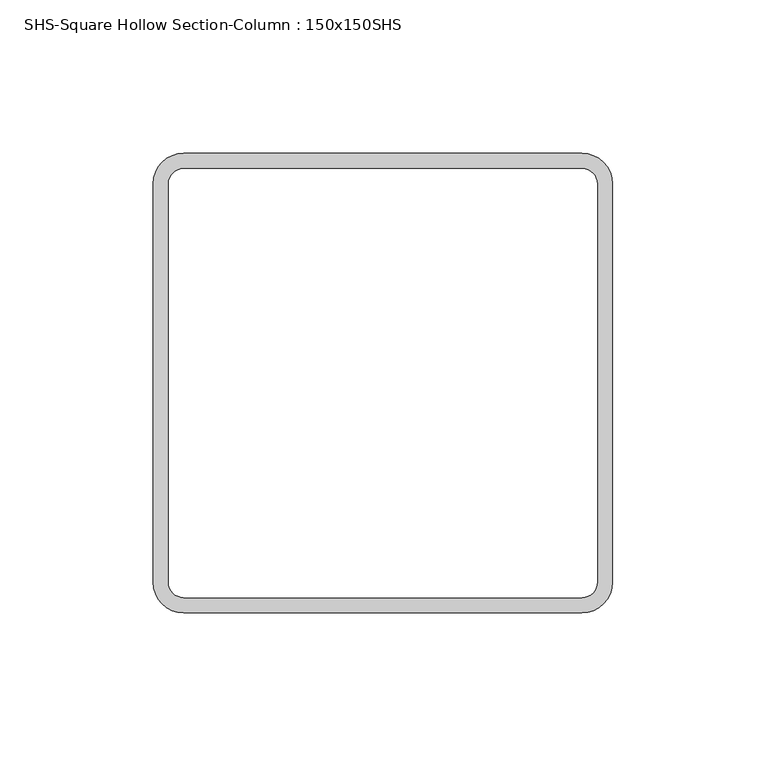
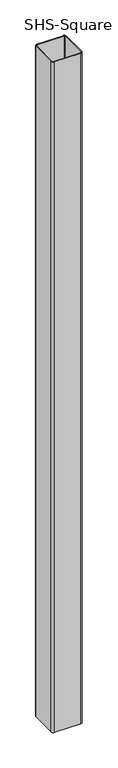
"""IFC4 building model written with IfcOpenShell, lengths in millimetres: column geometry, SHS-Square Hollow Section-Column : 150x150SHS."""

import ifcopenshell
import ifcopenshell.guid

model = None  # the IFC model being written
_history = None  # IfcOwnerHistory: only IFC2X3 demands one
_inside = {}  # id of a spatial element -> (the spatial element, [elements in it])
_under = {}  # id of a project, library or spatial element -> (it, [spatial elements below it])
_declared = {}  # id of a project -> (the project, [libraries it declares])
_typed = {}  # id of a type object -> (the type object, [elements of that type])
_made_of = {}  # id of a material, layer set ... -> (it, [elements and type objects made of it])


def new_model(schema):
    """Start an empty IFC model of exactly this schema.

    Asked for "IFC4X3", IfcOpenShell would pick the latest addendum, in which some entities
    have other attributes; the version numbers below select the first issue.
    IFC2X3 requires an IfcOwnerHistory on every rooted entity: one is made here for all.
    """
    global model, _history
    if schema == "IFC4X3":
        model = ifcopenshell.file(schema_version=(4, 3, 0, 0))
    else:
        model = ifcopenshell.file(schema=schema)
    _inside.clear()
    _under.clear()
    _declared.clear()
    _typed.clear()
    _made_of.clear()
    _history = None
    if model.schema == "IFC2X3":
        org = make("IfcOrganization", Name="unknown")
        user = make(
            "IfcPersonAndOrganization",
            ThePerson=make("IfcPerson", FamilyName="unknown"),
            TheOrganization=org,
        )
        app = make(
            "IfcApplication",
            ApplicationDeveloper=org,
            Version="unknown",
            ApplicationFullName="unknown",
            ApplicationIdentifier="unknown",
        )
        _history = make(
            "IfcOwnerHistory",
            OwningUser=user,
            OwningApplication=app,
            ChangeAction="ADDED",
            CreationDate=0,
        )
    return model


def make(cls, **values):
    """One entity of the class cls with the attributes given. An attribute that is None is left unset."""
    return model.create_entity(
        cls, **{name: value for name, value in values.items() if value is not None}
    )


def rooted(cls, **values):
    """An entity with a GlobalId (a new one), such as an element, a storey or a relation."""
    return make(cls, GlobalId=ifcopenshell.guid.new(), OwnerHistory=_history, **values)


def si_unit(unit_type, name, prefix=None):
    """IfcSIUnit, for example si_unit("LENGTHUNIT", "METRE", prefix="MILLI")."""
    return make("IfcSIUnit", UnitType=unit_type, Prefix=prefix, Name=name)


def assignment(units):
    """IfcUnitAssignment: the units of a project."""
    return None if units is None else make("IfcUnitAssignment", Units=units)


def point(xyz):
    """IfcCartesianPoint."""
    return None if xyz is None else make("IfcCartesianPoint", Coordinates=xyz)


def direction(xyz):
    """IfcDirection."""
    return None if xyz is None else make("IfcDirection", DirectionRatios=xyz)


def frame(location, z_axis=None, x_axis=None):
    """IfcAxis2Placement3D, a coordinate frame: its origin and axes. An axis left out is left unset."""
    return make(
        "IfcAxis2Placement3D",
        Location=point(location),
        Axis=direction(z_axis),
        RefDirection=direction(x_axis),
    )


def frame_2d(location, x_axis=None):
    """IfcAxis2Placement2D, a coordinate frame in the plane: its origin and x axis."""
    return make(
        "IfcAxis2Placement2D", Location=point(location), RefDirection=direction(x_axis)
    )


def origin():
    """The frame at (0, 0, 0) with its axes left unset."""
    return frame((0.0, 0.0, 0.0))


def place(relative_to, where):
    """IfcLocalPlacement: puts the frame where relative to a parent placement (None: the world)."""
    return make(
        "IfcLocalPlacement", PlacementRelTo=relative_to, RelativePlacement=where
    )


def context(
    kind, dimensions, precision=None, world=None, true_north=None, identifier=None
):
    """IfcGeometricRepresentationContext, for example the 3D "Model" context."""
    return make(
        "IfcGeometricRepresentationContext",
        ContextIdentifier=identifier,
        ContextType=kind,
        CoordinateSpaceDimension=dimensions,
        Precision=precision,
        WorldCoordinateSystem=world,
        TrueNorth=true_north,
    )


def project(units=None, contexts=None):
    """IfcProject with its units and contexts."""
    return rooted(
        "IfcProject",
        Name="project",
        RepresentationContexts=contexts,
        UnitsInContext=assignment(units),
    )


def spatial(cls, under=None, at=None, **own):
    """A site, building, storey or space (cls), placed at a placement, below another one or the project."""
    s = rooted(cls, ObjectPlacement=at, **own)
    if under is not None:
        _under.setdefault(under.id(), (under, []))[1].append(s)
    return s


def polyline(points):
    """IfcPolyline through the points."""
    return make("IfcPolyline", Points=[point(p) for p in points])


def circle_curve(where, radius):
    """IfcCircle in the frame where."""
    return make("IfcCircle", Position=where, Radius=radius)


def trimmed(basis, trim1, trim2, sense, master):
    """IfcTrimmedCurve: the piece of a basis curve between two trims."""
    return make(
        "IfcTrimmedCurve",
        BasisCurve=basis,
        Trim1=trim1,
        Trim2=trim2,
        SenseAgreement=sense,
        MasterRepresentation=master,
    )


def segment(curve, same_sense, transition):
    """IfcCompositeCurveSegment."""
    return make(
        "IfcCompositeCurveSegment",
        Transition=transition,
        SameSense=same_sense,
        ParentCurve=curve,
    )


def composite_curve(segments, self_intersect=None):
    """IfcCompositeCurve: segments joined end to end."""
    return make("IfcCompositeCurve", Segments=segments, SelfIntersect=self_intersect)


def outline(outer, holes=None, kind="AREA"):
    """IfcArbitraryClosedProfileDef: a profile drawn as a closed curve; with holes, ...WithVoids."""
    if holes is None:
        return make("IfcArbitraryClosedProfileDef", ProfileType=kind, OuterCurve=outer)
    return make(
        "IfcArbitraryProfileDefWithVoids",
        ProfileType=kind,
        OuterCurve=outer,
        InnerCurves=holes,
    )


def extrude(swept, where, along, depth):
    """IfcExtrudedAreaSolid: the profile swept, set in the frame where, extruded along a direction by depth."""
    return make(
        "IfcExtrudedAreaSolid",
        SweptArea=swept,
        Position=where,
        ExtrudedDirection=direction(along),
        Depth=depth,
    )


def shape(context_of_items, identifier, shape_type, items):
    """IfcShapeRepresentation: the items that make up one representation, for example the "Body"."""
    return make(
        "IfcShapeRepresentation",
        ContextOfItems=context_of_items,
        RepresentationIdentifier=identifier,
        RepresentationType=shape_type,
        Items=items,
    )


def source(mapping_origin, context_of_items, identifier, shape_type, items):
    """IfcRepresentationMap: a shape defined once, which mapped items show again and again."""
    return make(
        "IfcRepresentationMap",
        MappingOrigin=mapping_origin,
        MappedRepresentation=shape(context_of_items, identifier, shape_type, items),
    )


def transform(
    local_origin,
    x_axis=None,
    y_axis=None,
    z_axis=None,
    scale=None,
    scale2=None,
    scale3=None,
    uniform=True,
):
    """IfcCartesianTransformationOperator3D, or its non-uniform kind. x_axis, y_axis, z_axis: its Axis1, 2, 3."""
    if uniform:
        return make(
            "IfcCartesianTransformationOperator3D",
            Axis1=direction(x_axis),
            Axis2=direction(y_axis),
            LocalOrigin=point(local_origin),
            Scale=scale,
            Axis3=direction(z_axis),
        )
    return make(
        "IfcCartesianTransformationOperator3DnonUniform",
        Axis1=direction(x_axis),
        Axis2=direction(y_axis),
        LocalOrigin=point(local_origin),
        Scale=scale,
        Axis3=direction(z_axis),
        Scale2=scale2,
        Scale3=scale3,
    )


def mapped(mapping_source, mapping_target):
    """IfcMappedItem: shows the shape of a source again, moved by a transform."""
    return make(
        "IfcMappedItem", MappingSource=mapping_source, MappingTarget=mapping_target
    )


def made_of(thing, what):
    """Note that an element or type object is made of a material, layer set ...; save() writes the relation."""
    if what is not None:
        _made_of.setdefault(what.id(), (what, []))[1].append(thing)
    return thing


def element(
    cls,
    number,
    at=None,
    inside=None,
    cuts=None,
    type_object=None,
    material=None,
    context=None,
    identifier="Body",
    shape_type=None,
    held_by="IfcProductDefinitionShape",
    body=None,
    shapes=None,
    **own,
):
    """One element of the class cls, such as IfcWall. Its Tag is "e" and its number.

    at: its placement. inside: the storey or other place that contains it. cuts: it is an
    opening in that element (IfcRelVoidsElement). A single representation is given by context,
    identifier, shape_type and body (its items); several are given by shapes. held_by: the class
    of the entity that holds the representations. save() writes the other relations.
    """
    e = rooted(cls, Tag="e%d" % number, ObjectPlacement=at, **own)
    if body is not None:
        shapes = [shape(context, identifier, shape_type, body)]
    if shapes is not None:
        e.Representation = make(held_by, Representations=shapes)
    if inside is not None:
        _inside.setdefault(inside.id(), (inside, []))[1].append(e)
    if cuts is not None:
        rooted(
            "IfcRelVoidsElement", RelatingBuildingElement=cuts, RelatedOpeningElement=e
        )
    if type_object is not None:
        _typed.setdefault(type_object.id(), (type_object, []))[1].append(e)
    return made_of(e, material)


def aggregate(whole, parts):
    """IfcRelAggregates: a whole, such as a stair, and the parts it consists of."""
    return rooted("IfcRelAggregates", RelatingObject=whole, RelatedObjects=parts)


def save(model, path):
    """Write the relations noted so far, then the file.

    IfcRelAggregates (storeys below a building ...), IfcRelContainedInSpatialStructure (elements
    in a storey), IfcRelDefinesByType, IfcRelAssociatesMaterial and IfcRelDeclares: one each for
    every whole, place, type object, material and project.
    """
    for whole, parts in _under.values():
        aggregate(whole, parts)
    for where, things in _inside.values():
        rooted(
            "IfcRelContainedInSpatialStructure",
            RelatedElements=things,
            RelatingStructure=where,
        )
    for kind, things in _typed.values():
        rooted("IfcRelDefinesByType", RelatedObjects=things, RelatingType=kind)
    for what, things in _made_of.values():
        rooted("IfcRelAssociatesMaterial", RelatedObjects=things, RelatingMaterial=what)
    for by, libraries in _declared.values():
        rooted("IfcRelDeclares", RelatingContext=by, RelatedDefinitions=libraries)
    model.write(path)


def shs_square_hollow_section_column_150x150shs_bfa9bbbc(model_context):
    return source(origin(), model_context, "Body", "SweptSolid", [
        extrude(outline(composite_curve([segment(trimmed(circle_curve(frame_2d((65.0, 65.0)), 10.0), [point((65.0, 75.0))], [point((75.0, 65.0))], False, "CARTESIAN"), True, "CONTINUOUS"), segment(polyline([(75.0, 65.0), (75.0, -65.0)]), True, "CONTINUOUS"), segment(trimmed(circle_curve(frame_2d((65.0, -65.0)), 10.0), [point((75.0, -65.0))], [point((65.0, -75.0))], False, "CARTESIAN"), True, "CONTINUOUS"), segment(polyline([(65.0, -75.0), (-65.0, -75.0)]), True, "CONTINUOUS"), segment(trimmed(circle_curve(frame_2d((-65.0, -65.0)), 10.0), [point((-65.0, -75.0))], [point((-75.0, -65.0))], False, "CARTESIAN"), True, "CONTINUOUS"), segment(polyline([(-75.0, -65.0), (-75.0, 65.0)]), True, "CONTINUOUS"), segment(trimmed(circle_curve(frame_2d((-65.0, 65.0)), 10.0), [point((-75.0, 65.0))], [point((-65.0, 75.0))], False, "CARTESIAN"), True, "CONTINUOUS"), segment(polyline([(-65.0, 75.0), (65.0, 75.0)]), True, "CONTINUOUS")], self_intersect=False), holes=[composite_curve([segment(polyline([(65.0, 70.0), (-65.0, 70.0)]), True, "CONTINUOUS"), segment(trimmed(circle_curve(frame_2d((-65.0, 65.0)), 5.0), [point((-65.0, 70.0))], [point((-70.0, 65.0))], True, "CARTESIAN"), True, "CONTINUOUS"), segment(polyline([(-70.0, 65.0), (-70.0, -65.0)]), True, "CONTINUOUS"), segment(trimmed(circle_curve(frame_2d((-65.0, -65.0)), 5.0), [point((-70.0, -65.0))], [point((-65.0, -70.0))], True, "CARTESIAN"), True, "CONTINUOUS"), segment(polyline([(-65.0, -70.0), (65.0, -70.0)]), True, "CONTINUOUS"), segment(trimmed(circle_curve(frame_2d((65.0, -65.0)), 5.0), [point((65.0, -70.0))], [point((70.0, -65.0))], True, "CARTESIAN"), True, "CONTINUOUS"), segment(polyline([(70.0, -65.0), (70.0, 65.0)]), True, "CONTINUOUS"), segment(trimmed(circle_curve(frame_2d((65.0, 65.0)), 5.0), [point((70.0, 65.0))], [point((65.0, 70.0))], True, "CARTESIAN"), True, "CONTINUOUS")], self_intersect=False)]), frame((0.0, 0.0, -100.0), z_axis=(0.0, 0.0, 1.0), x_axis=(1.0, 0.0, 0.0)), (0.0, 0.0, 1.0), 3470.0),
    ])


if __name__ == "__main__":
    model = new_model("IFC4")
    model_context = context("Model", 3, world=origin())
    ifc_project = project(units=[si_unit("LENGTHUNIT", "METRE", prefix="MILLI")], contexts=[model_context])
    site = spatial("IfcSite", under=ifc_project)
    building = spatial("IfcBuilding", under=site)
    placement = place(None, origin())
    shs_square_hollow_section_column_150x150shs_shape = shs_square_hollow_section_column_150x150shs_bfa9bbbc(model_context)
    element("IfcColumn", 1, ObjectType="SHS-Square Hollow Section-Column : 150x150SHS", at=placement, inside=building, context=model_context, shape_type="MappedRepresentation", body=[
        mapped(shs_square_hollow_section_column_150x150shs_shape, transform((0.0, 0.0, 0.0), x_axis=(1.0, 0.0, 0.0), y_axis=(0.0, 1.0, 0.0), z_axis=(0.0, 0.0, 1.0))),
    ])
    save(model, "model.ifc")
